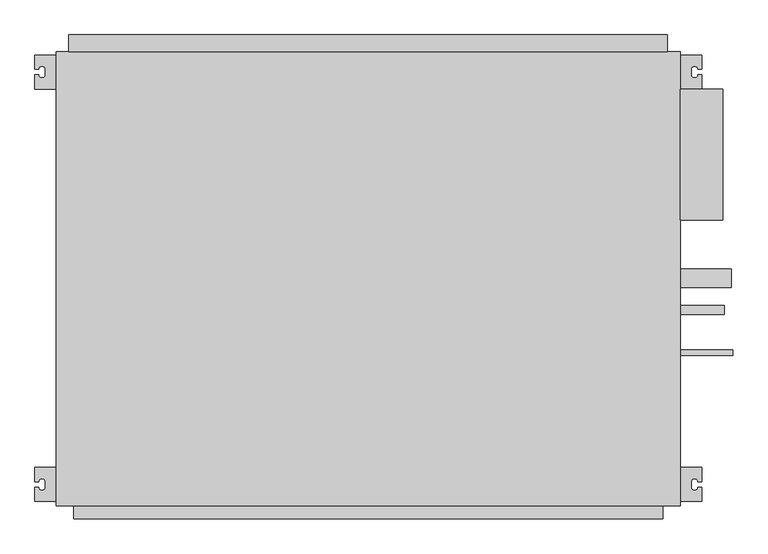
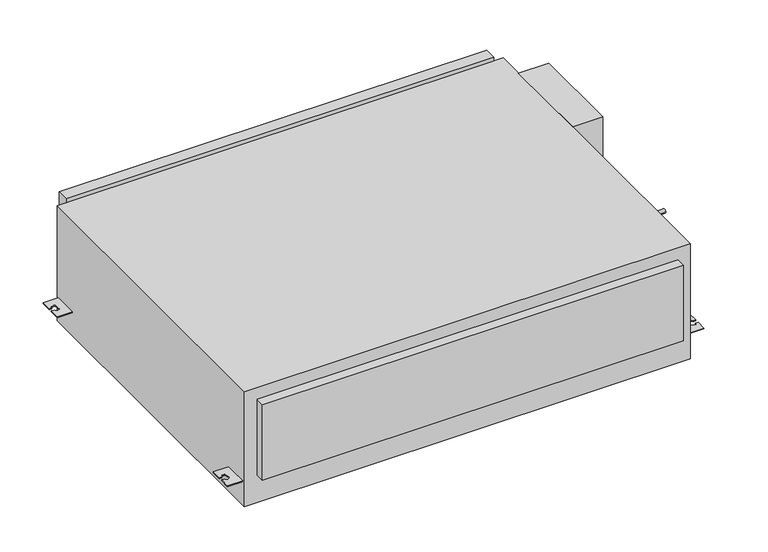
"""IFC4 building model written with IfcOpenShell, lengths in millimetres: proxy geometry."""

from ifc_helpers import new_model, si_unit, point, frame, frame_2d, origin, origin_with_axes, place, context, project, spatial, polyline, circle_curve, trimmed, segment, composite_curve, outline, extrude, source, transform, mapped, element, save


def mechanical_equipment_94e9c159(model_context):
    return source(origin(), model_context, "Body", "SweptSolid", [
        extrude(outline(polyline([(550.0, -65.5), (625.0, -65.5), (625.0, -296.5), (550.0, -296.5), (550.0, -65.5)])), origin_with_axes(), (0.0, 0.0, 1.0), 300.0),
        extrude(outline(composite_curve([segment(trimmed(circle_curve(frame_2d((-399.0, 22.0)), 16.0), [point((-415.0, 22.0))], [point((-383.0, 22.0))], False, "CARTESIAN"), True, "CONTINUOUS"), segment(trimmed(circle_curve(frame_2d((-399.0, 22.0)), 16.0), [point((-383.0, 22.0))], [point((-415.0, 22.0))], False, "CARTESIAN"), True, "CONTINUOUS")], self_intersect=False)), frame((550.0, 0.0, 0.0), z_axis=(1.0, 0.0, 0.0), x_axis=(0.0, 1.0, 0.0)), (0.0, 0.0, 1.0), 90.0),
        extrude(outline(composite_curve([segment(trimmed(circle_curve(frame_2d((-455.0, 150.0)), 7.94), [point((-462.94, 150.0))], [point((-447.06, 150.0))], False, "CARTESIAN"), True, "CONTINUOUS"), segment(trimmed(circle_curve(frame_2d((-455.0, 150.0)), 7.94), [point((-447.06, 150.0))], [point((-462.94, 150.0))], False, "CARTESIAN"), True, "CONTINUOUS")], self_intersect=False)), frame((550.0, 0.0, 0.0), z_axis=(1.0, 0.0, 0.0), x_axis=(0.0, 1.0, 0.0)), (0.0, 0.0, 1.0), 77.0),
        extrude(outline(composite_curve([segment(trimmed(circle_curve(frame_2d((-530.0, 190.0)), 4.765), [point((-534.765, 190.0))], [point((-525.235, 190.0))], False, "CARTESIAN"), True, "CONTINUOUS"), segment(trimmed(circle_curve(frame_2d((-530.0, 190.0)), 4.765), [point((-525.235, 190.0))], [point((-534.765, 190.0))], False, "CARTESIAN"), True, "CONTINUOUS")], self_intersect=False)), frame((550.0, 0.0, 0.0), z_axis=(1.0, 0.0, 0.0), x_axis=(0.0, 1.0, 0.0)), (0.0, 0.0, 1.0), 92.0),
        extrude(outline(composite_curve([segment(polyline([(-550.0, -5.5), (-550.0, -65.5), (-587.5, -65.5), (-587.5, -40.5), (-581.0, -40.5)]), True, "CONTINUOUS"), segment(trimmed(circle_curve(frame_2d((-576.0, -40.5)), 5.0), [point((-581.0, -40.5))], [point((-576.0, -45.5))], True, "CARTESIAN"), True, "CONTINUOUS"), segment(polyline([(-576.0, -45.5), (-574.0, -45.5)]), True, "CONTINUOUS"), segment(trimmed(circle_curve(frame_2d((-574.0, -40.5)), 5.0), [point((-574.0, -45.5))], [point((-569.0, -40.5))], True, "CARTESIAN"), True, "CONTINUOUS"), segment(polyline([(-569.0, -40.5), (-569.0, -30.5)]), True, "CONTINUOUS"), segment(trimmed(circle_curve(frame_2d((-574.0, -30.5)), 5.0), [point((-569.0, -30.5))], [point((-574.0, -25.5))], True, "CARTESIAN"), True, "CONTINUOUS"), segment(polyline([(-574.0, -25.5), (-576.0, -25.5)]), True, "CONTINUOUS"), segment(trimmed(circle_curve(frame_2d((-576.0, -30.5)), 5.0), [point((-576.0, -25.5))], [point((-581.0, -30.5))], True, "CARTESIAN"), True, "CONTINUOUS"), segment(polyline([(-581.0, -30.5), (-587.5, -30.5), (-587.5, -5.5), (-550.0, -5.5)]), True, "CONTINUOUS")], self_intersect=False)), frame((0.0, 0.0, 60.5), z_axis=(0.0, 0.0, 1.0), x_axis=(1.0, 0.0, 0.0)), (0.0, 0.0, 1.0), 2.5),
        extrude(outline(composite_curve([segment(polyline([(-550.0, -732.5), (-550.0, -792.5), (-587.5, -792.5), (-587.5, -767.5), (-581.0, -767.5)]), True, "CONTINUOUS"), segment(trimmed(circle_curve(frame_2d((-576.0, -767.5)), 5.0), [point((-581.0, -767.5))], [point((-576.0, -772.5))], True, "CARTESIAN"), True, "CONTINUOUS"), segment(polyline([(-576.0, -772.5), (-574.0, -772.5)]), True, "CONTINUOUS"), segment(trimmed(circle_curve(frame_2d((-574.0, -767.5)), 5.0), [point((-574.0, -772.5))], [point((-569.0, -767.5))], True, "CARTESIAN"), True, "CONTINUOUS"), segment(polyline([(-569.0, -767.5), (-569.0, -757.5)]), True, "CONTINUOUS"), segment(trimmed(circle_curve(frame_2d((-574.0, -757.5)), 5.0), [point((-569.0, -757.5))], [point((-574.0, -752.5))], True, "CARTESIAN"), True, "CONTINUOUS"), segment(polyline([(-574.0, -752.5), (-576.0, -752.5)]), True, "CONTINUOUS"), segment(trimmed(circle_curve(frame_2d((-576.0, -757.5)), 5.0), [point((-576.0, -752.5))], [point((-581.0, -757.5))], True, "CARTESIAN"), True, "CONTINUOUS"), segment(polyline([(-581.0, -757.5), (-587.5, -757.5), (-587.5, -732.5), (-550.0, -732.5)]), True, "CONTINUOUS")], self_intersect=False)), frame((0.0, 0.0, 60.5), z_axis=(0.0, 0.0, 1.0), x_axis=(1.0, 0.0, 0.0)), (0.0, 0.0, 1.0), 2.5),
        extrude(outline(composite_curve([segment(polyline([(550.0, -5.5), (587.5, -5.5), (587.5, -30.5), (581.0, -30.5)]), True, "CONTINUOUS"), segment(trimmed(circle_curve(frame_2d((576.0, -30.5)), 5.0), [point((581.0, -30.5))], [point((576.0, -25.5))], True, "CARTESIAN"), True, "CONTINUOUS"), segment(polyline([(576.0, -25.5), (574.0, -25.5)]), True, "CONTINUOUS"), segment(trimmed(circle_curve(frame_2d((574.0, -30.5)), 5.0), [point((574.0, -25.5))], [point((569.0, -30.5))], True, "CARTESIAN"), True, "CONTINUOUS"), segment(polyline([(569.0, -30.5), (569.0, -40.5)]), True, "CONTINUOUS"), segment(trimmed(circle_curve(frame_2d((574.0, -40.5)), 5.0), [point((569.0, -40.5))], [point((574.0, -45.5))], True, "CARTESIAN"), True, "CONTINUOUS"), segment(polyline([(574.0, -45.5), (576.0, -45.5)]), True, "CONTINUOUS"), segment(trimmed(circle_curve(frame_2d((576.0, -40.5)), 5.0), [point((576.0, -45.5))], [point((581.0, -40.5))], True, "CARTESIAN"), True, "CONTINUOUS"), segment(polyline([(581.0, -40.5), (587.5, -40.5), (587.5, -65.5), (550.0, -65.5), (550.0, -5.5)]), True, "CONTINUOUS")], self_intersect=False)), frame((0.0, 0.0, 60.5), z_axis=(0.0, 0.0, 1.0), x_axis=(1.0, 0.0, 0.0)), (0.0, 0.0, 1.0), 2.5),
        extrude(outline(composite_curve([segment(polyline([(550.0, -732.5), (587.5, -732.5), (587.5, -757.5), (581.0, -757.5)]), True, "CONTINUOUS"), segment(trimmed(circle_curve(frame_2d((576.0, -757.5)), 5.0), [point((581.0, -757.5))], [point((576.0, -752.5))], True, "CARTESIAN"), True, "CONTINUOUS"), segment(polyline([(576.0, -752.5), (574.0, -752.5)]), True, "CONTINUOUS"), segment(trimmed(circle_curve(frame_2d((574.0, -757.5)), 5.0), [point((574.0, -752.5))], [point((569.0, -757.5))], True, "CARTESIAN"), True, "CONTINUOUS"), segment(polyline([(569.0, -757.5), (569.0, -767.5)]), True, "CONTINUOUS"), segment(trimmed(circle_curve(frame_2d((574.0, -767.5)), 5.0), [point((569.0, -767.5))], [point((574.0, -772.5))], True, "CARTESIAN"), True, "CONTINUOUS"), segment(polyline([(574.0, -772.5), (576.0, -772.5)]), True, "CONTINUOUS"), segment(trimmed(circle_curve(frame_2d((576.0, -767.5)), 5.0), [point((576.0, -772.5))], [point((581.0, -767.5))], True, "CARTESIAN"), True, "CONTINUOUS"), segment(polyline([(581.0, -767.5), (587.5, -767.5), (587.5, -792.5), (550.0, -792.5), (550.0, -732.5)]), True, "CONTINUOUS")], self_intersect=False)), frame((0.0, 0.0, 60.5), z_axis=(0.0, 0.0, 1.0), x_axis=(1.0, 0.0, 0.0)), (0.0, 0.0, 1.0), 2.5),
        extrude(outline(polyline([(527.2, 30.0), (527.2, 0.0), (-527.8, 0.0), (-527.8, 30.0), (527.2, 30.0)])), frame((0.0, 0.0, 22.8), z_axis=(0.0, 0.0, 1.0), x_axis=(1.0, 0.0, 0.0)), (0.0, 0.0, 1.0), 286.6),
        extrude(outline(polyline([(519.0, -800.0), (519.0, -823.0), (-519.0, -823.0), (-519.0, -800.0), (519.0, -800.0)])), frame((0.0, 0.0, 72.0), z_axis=(0.0, 0.0, 1.0), x_axis=(1.0, 0.0, 0.0)), (0.0, 0.0, 1.0), 197.0),
        extrude(outline(polyline([(550.0, -800.0), (-550.0, -800.0), (-550.0, 0.0), (550.0, 0.0), (550.0, -800.0)])), origin_with_axes(), (0.0, 0.0, 1.0), 300.0),
    ])


if __name__ == "__main__":
    model = new_model("IFC4")
    model_context = context("Model", 3, world=origin())
    ifc_project = project(units=[si_unit("LENGTHUNIT", "METRE", prefix="MILLI")], contexts=[model_context])
    site = spatial("IfcSite", under=ifc_project)
    building = spatial("IfcBuilding", under=site)
    placement = place(None, origin())
    mechanical_equipment_shape = mechanical_equipment_94e9c159(model_context)
    element("IfcBuildingElementProxy", 1, Name="Mechanical Equipment", at=placement, inside=building, context=model_context, shape_type="MappedRepresentation", body=[
        mapped(mechanical_equipment_shape, transform((0.0, 0.0, 0.0), x_axis=(1.0, 0.0, 0.0), y_axis=(0.0, 1.0, 0.0), z_axis=(0.0, 0.0, 1.0))),
    ])
    save(model, "model.ifc")
